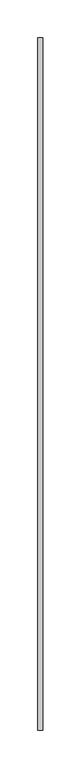
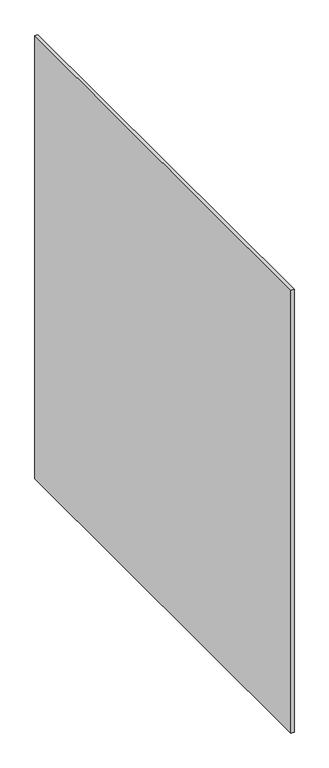
"""IFC4 building model written with IfcOpenShell, lengths in millimetres: proxy geometry."""

from ifc_helpers import new_model, si_unit, frame, origin, place, context, project, spatial, polyline, outline, extrude, source, transform, mapped, element, save


def generic_models_bfd75cfc(model_context):
    return source(origin(), model_context, "Body", "SweptSolid", [
        extrude(outline(polyline([(37605.2710168, -24891.5529893), (37598.9210168, -24891.5529893), (37598.9210168, -23977.1529893), (37605.2710168, -23977.1529893), (37605.2710168, -24891.5529893)])), frame((0.0, 0.0, 4673.6), z_axis=(0.0, 0.0, 1.0), x_axis=(1.0, 0.0, 0.0)), (0.0, 0.0, 1.0), 965.2),
    ])


if __name__ == "__main__":
    model = new_model("IFC4")
    model_context = context("Model", 3, world=origin())
    ifc_project = project(units=[si_unit("LENGTHUNIT", "METRE", prefix="MILLI")], contexts=[model_context])
    site = spatial("IfcSite", under=ifc_project)
    building = spatial("IfcBuilding", under=site)
    placement = place(None, origin())
    generic_models_shape = generic_models_bfd75cfc(model_context)
    element("IfcBuildingElementProxy", 1, Name="Generic Models", at=placement, inside=building, context=model_context, shape_type="MappedRepresentation", body=[
        mapped(generic_models_shape, transform((0.0, 0.0, 0.0), x_axis=(1.0, 0.0, 0.0), y_axis=(0.0, 1.0, 0.0), z_axis=(0.0, 0.0, 1.0))),
    ])
    save(model, "model.ifc")
